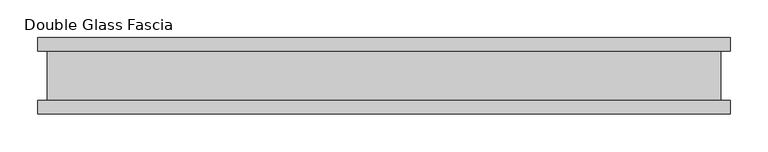
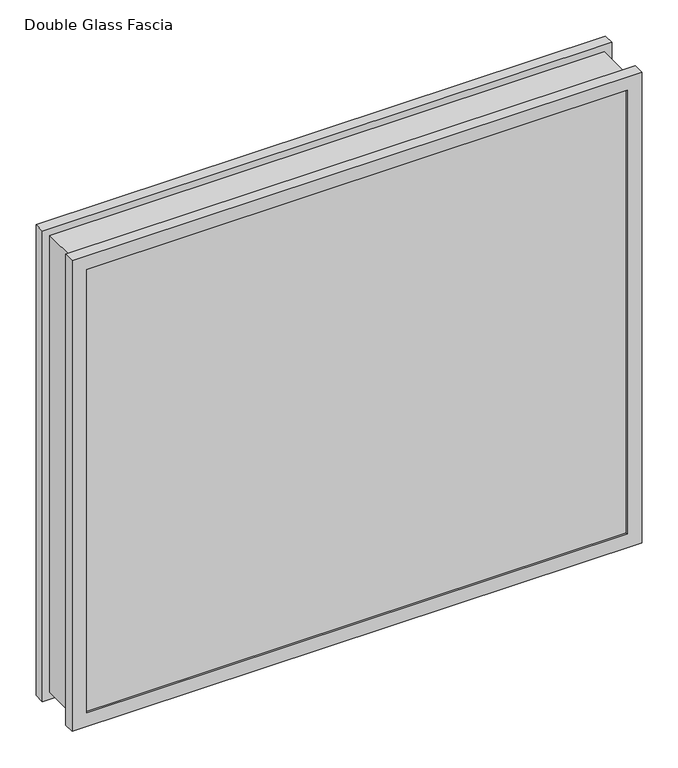
"""IFC4 building model written with IfcOpenShell, lengths in millimetres: proxy geometry, Double Glass Fascia."""

from ifc_helpers import new_model, si_unit, frame, origin, place, context, project, spatial, polyline, outline, extrude, faceted_brep, source, transform, mapped, element, save


def double_glass_fascia_434a0f46(model_context):
    return source(origin(), model_context, "Body", "SolidModel", [
        faceted_brep([(443.4640848, -32.4352299, 787.400885), (443.4640848, -32.4352299, 15.0359151), (443.4640848, 32.4352299, 15.0359151), (443.4640848, 32.4352299, 787.400885), (-443.4640848, -32.4352299, 15.0359151), (-443.4640848, 32.4352299, 15.0359151), (-443.4640848, -32.4352299, 787.400885), (-443.4640848, 32.4352299, 787.400885), (432.2871999, 38.8962152, 776.2240001), (432.2871999, 38.8962152, 26.2128), (432.2871999, -38.8962152, 26.2128), (432.2871999, -38.8962152, 776.2240001), (449.0218392, 47.1322551, 792.9586393), (449.0218392, 47.1322551, 9.4781608), (449.0218392, 38.8962152, 9.4781608), (449.0218392, 38.8962152, 792.9586393), (432.1093999, 50.0558594, 776.0462001), (432.1093999, 50.0558594, 26.3906), (432.1093999, 47.1322551, 26.3906), (432.1093999, 47.1322551, 776.0462001), (455.3249999, 32.4352299, 799.2618001), (455.3249999, 32.4352299, 3.175), (455.3249999, 50.0558594, 3.175), (455.3249999, 50.0558594, 799.2618001), (-432.2871999, 38.8962152, 26.2128), (-432.2871999, -38.8962152, 26.2128), (-449.0218392, 47.1322551, 9.4781608), (-449.0218392, 38.8962152, 9.4781608), (-432.1093999, 50.0558594, 26.3906), (-432.1093999, 47.1322551, 26.3906), (-455.3249999, 32.4352299, 3.175), (-455.3249999, 50.0558594, 3.175), (-432.2871999, 38.8962152, 776.2240001), (-432.2871999, -38.8962152, 776.2240001), (-449.0218392, 47.1322551, 792.9586393), (-449.0218392, 38.8962152, 792.9586393), (-432.1093999, 50.0558594, 776.0462001), (-432.1093999, 47.1322551, 776.0462001), (-455.3249999, 32.4352299, 799.2618001), (-455.3249999, 50.0558594, 799.2618001), (455.3249999, -50.0558594, 799.2618001), (455.3249999, -50.0558594, 3.175), (455.3249999, -32.4352299, 3.175), (455.3249999, -32.4352299, 799.2618001), (432.2871999, -47.1322551, 776.2240001), (432.2871999, -47.1322551, 26.2128), (432.2871999, -50.0558594, 26.2128), (432.2871999, -50.0558594, 776.2240001), (449.0218392, -38.8962152, 792.9586393), (449.0218392, -38.8962152, 9.4781608), (449.0218392, -47.1322551, 9.4781608), (449.0218392, -47.1322551, 792.9586393), (-455.3249999, -50.0558594, 3.175), (-455.3249999, -32.4352299, 3.175), (-432.2871999, -47.1322551, 26.2128), (-432.2871999, -50.0558594, 26.2128), (-449.0218392, -38.8962152, 9.4781608), (-449.0218392, -47.1322551, 9.4781608), (-455.3249999, -50.0558594, 799.2618001), (-455.3249999, -32.4352299, 799.2618001), (-432.2871999, -47.1322551, 776.2240001), (-432.2871999, -50.0558594, 776.2240001), (-449.0218392, -38.8962152, 792.9586393), (-449.0218392, -47.1322551, 792.9586393)], [[[0, 1, 2, 3]], [[1, 4, 5, 2]], [[4, 6, 7, 5]], [[6, 0, 3, 7]], [[8, 9, 10, 11]], [[12, 13, 14, 15]], [[16, 17, 18, 19]], [[20, 21, 22, 23]], [[9, 24, 25, 10]], [[13, 26, 27, 14]], [[17, 28, 29, 18]], [[21, 30, 31, 22]], [[24, 32, 33, 25]], [[26, 34, 35, 27]], [[28, 36, 37, 29]], [[30, 38, 39, 31]], [[32, 8, 11, 33]], [[15, 14, 27, 35], [9, 8, 32, 24]], [[34, 12, 15, 35]], [[13, 12, 34, 26], [19, 18, 29, 37]], [[36, 16, 19, 37]], [[23, 22, 31, 39], [17, 16, 36, 28]], [[38, 20, 23, 39]], [[21, 20, 38, 30], [3, 2, 5, 7]], [[40, 41, 42, 43]], [[44, 45, 46, 47]], [[48, 49, 50, 51]], [[41, 52, 53, 42]], [[45, 54, 55, 46]], [[49, 56, 57, 50]], [[52, 58, 59, 53]], [[54, 60, 61, 55]], [[56, 62, 63, 57]], [[43, 42, 53, 59], [1, 0, 6, 4]], [[58, 40, 43, 59]], [[41, 40, 58, 52], [47, 46, 55, 61]], [[60, 44, 47, 61]], [[51, 50, 57, 63], [45, 44, 60, 54]], [[62, 48, 51, 63]], [[49, 48, 62, 56], [11, 10, 25, 33]]]),
        extrude(outline(polyline([(444.5, 40.9277344), (-444.5, 40.9277344), (-444.5, 46.8808594), (444.5, 46.8808594), (444.5, 40.9277344)])), frame((0.0, 0.0, 5.3275263), z_axis=(0.0, 0.0, 1.0), x_axis=(1.0, 0.0, 0.0)), (0.0, 0.0, 1.0), 791.2877281),
        extrude(outline(polyline([(444.5, -41.1791301), (444.5, -47.1322551), (-444.5, -47.1322551), (-444.5, -41.1791301), (444.5, -41.1791301)])), frame((0.0, 0.0, 5.3275263), z_axis=(0.0, 0.0, 1.0), x_axis=(1.0, 0.0, 0.0)), (0.0, 0.0, 1.0), 791.2877281),
    ])


if __name__ == "__main__":
    model = new_model("IFC4")
    model_context = context("Model", 3, world=origin())
    ifc_project = project(units=[si_unit("LENGTHUNIT", "METRE", prefix="MILLI")], contexts=[model_context])
    site = spatial("IfcSite", under=ifc_project)
    building = spatial("IfcBuilding", under=site)
    placement = place(None, origin())
    double_glass_fascia_shape = double_glass_fascia_434a0f46(model_context)
    element("IfcBuildingElementProxy", 1, Name="Double Glass Fascia", ObjectType="Double Glass Fascia", at=placement, inside=building, context=model_context, shape_type="MappedRepresentation", body=[
        mapped(double_glass_fascia_shape, transform((0.0, 0.0, 0.0), x_axis=(1.0, 0.0, 0.0), y_axis=(0.0, 1.0, 0.0), z_axis=(0.0, 0.0, 1.0))),
    ])
    save(model, "model.ifc")
